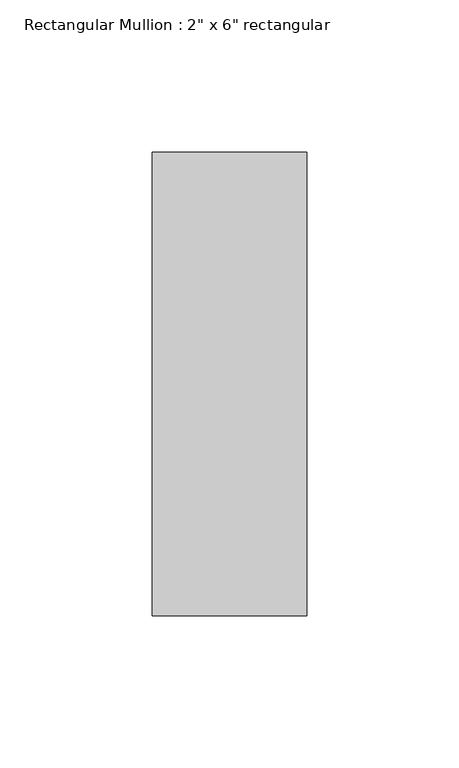
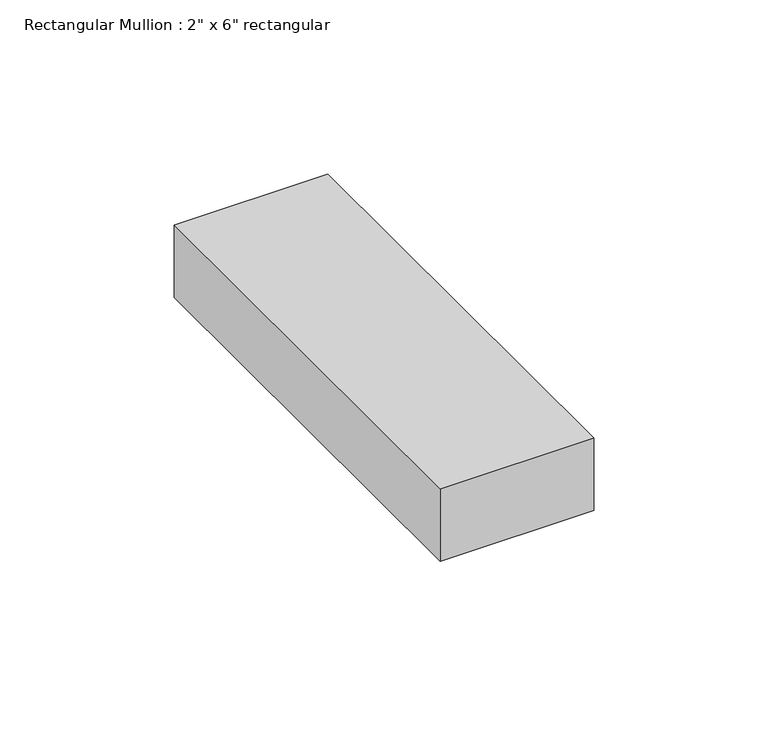
"""IFC4 building model written with IfcOpenShell, lengths in millimetres: member geometry."""

from ifc_helpers import new_model, si_unit, frame, origin, place, context, project, spatial, polyline, outline, extrude, source, transform, mapped, element, save


def member_852bd9a3(model_context):
    return source(origin(), model_context, "Body", "SweptSolid", [
        extrude(outline(polyline([(0.0, 76.2), (0.0, -76.2), (-50.8, -76.2), (-50.8, 76.2), (0.0, 76.2)])), frame((0.0, 0.0, -25.4), z_axis=(0.0, 0.0, 1.0), x_axis=(1.0, 0.0, 0.0)), (0.0, 0.0, 1.0), 25.4),
    ])


if __name__ == "__main__":
    model = new_model("IFC4")
    model_context = context("Model", 3, world=origin())
    ifc_project = project(units=[si_unit("LENGTHUNIT", "METRE", prefix="MILLI")], contexts=[model_context])
    site = spatial("IfcSite", under=ifc_project)
    building = spatial("IfcBuilding", under=site)
    placement = place(None, origin())
    member_shape = member_852bd9a3(model_context)
    element("IfcMember", 1, ObjectType="Rectangular Mullion : 2\" x 6\" rectangular", at=placement, inside=building, context=model_context, shape_type="MappedRepresentation", body=[
        mapped(member_shape, transform((0.0, 0.0, 0.0), x_axis=(1.0, 0.0, 0.0), y_axis=(0.0, 1.0, 0.0), z_axis=(0.0, 0.0, 1.0))),
    ])
    save(model, "model.ifc")
